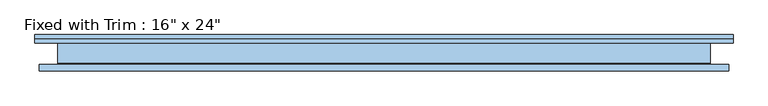
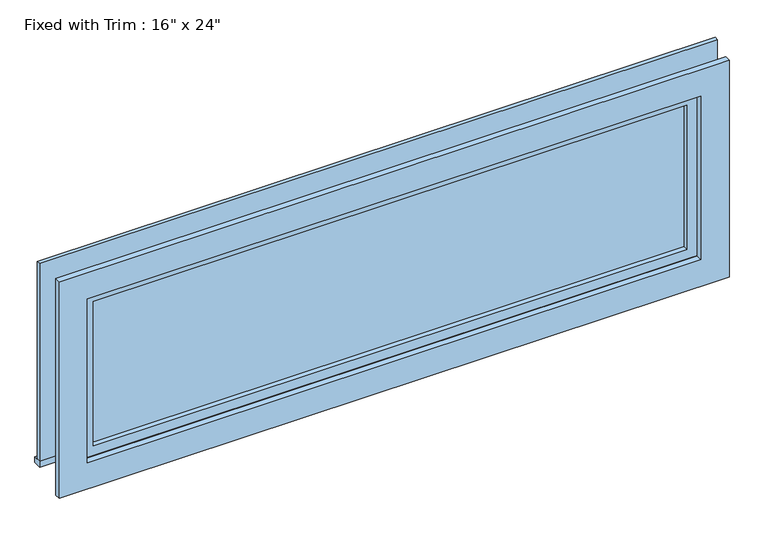
"""IFC4 building model written with IfcOpenShell, lengths in millimetres: window geometry."""

from ifc_helpers import new_model, si_unit, frame, origin, place, context, project, spatial, polyline, outline, extrude, source, transform, mapped, element, save


def window_79dcfda6(model_context):
    return source(origin(), model_context, "Body", "SweptSolid", [
        extrude(outline(polyline([(-1107.95, 58.7375), (1031.75, 58.7375), (1031.75, 33.3375), (-1107.95, 33.3375), (-1107.95, 58.7375)])), frame((0.0, 0.0, 914.4), z_axis=(0.0, 0.0, 1.0), x_axis=(1.0, 0.0, 0.0)), (0.0, 0.0, 1.0), 19.05),
        extrude(outline(polyline([(1504.95, -1019.05), (1504.95, 942.85), (933.45, 942.85), (933.45, 1031.75), (1593.85, 1031.75), (1593.85, -1107.95), (933.45, -1107.95), (933.45, -1019.05), (1504.95, -1019.05)])), frame((0.0, 33.3375, 0.0), z_axis=(0.0, 1.0, 0.0), x_axis=(0.0, 0.0, 1.0)), (0.0, 0.0, 1.0), 12.7),
        extrude(outline(polyline([(1581.15, 1019.05), (1581.15, -1095.25), (857.25, -1095.25), (857.25, 1019.05), (1581.15, 1019.05)]), holes=[polyline([(1492.25, 930.15), (946.15, 930.15), (946.15, -1006.35), (1492.25, -1006.35), (1492.25, 930.15)])]), frame((0.0, -52.3875, 0.0), z_axis=(0.0, 1.0, 0.0), x_axis=(0.0, 0.0, 1.0)), (0.0, 0.0, 1.0), 19.05),
        extrude(outline(polyline([(898.4, -14.2875), (-974.6, -14.2875), (-974.6, -1.5875), (898.4, -1.5875), (898.4, -14.2875)])), frame((0.0, 0.0, 977.9), z_axis=(0.0, 0.0, 1.0), x_axis=(1.0, 0.0, 0.0)), (0.0, 0.0, 1.0), 482.6),
        extrude(outline(polyline([(1504.95, -1019.05), (933.45, -1019.05), (933.45, 942.85), (1504.95, 942.85), (1504.95, -1019.05)]), holes=[polyline([(1460.5, -974.6), (1460.5, 898.4), (977.9, 898.4), (977.9, -974.6), (1460.5, -974.6)])]), frame((0.0, -30.1625, 0.0), z_axis=(0.0, 1.0, 0.0), x_axis=(0.0, 0.0, 1.0)), (0.0, 0.0, 1.0), 44.45),
        extrude(outline(polyline([(1524.0, -1038.1), (914.4, -1038.1), (914.4, 961.9), (1524.0, 961.9), (1524.0, -1038.1)]), holes=[polyline([(1492.25, -1006.35), (1492.25, 930.15), (946.15, 930.15), (946.15, -1006.35), (1492.25, -1006.35)])]), frame((0.0, -33.3375, 0.0), z_axis=(0.0, 1.0, 0.0), x_axis=(0.0, 0.0, 1.0)), (0.0, 0.0, 1.0), 3.175),
        extrude(outline(polyline([(1524.0, 961.9), (1524.0, -1038.1), (914.4, -1038.1), (914.4, 961.9), (1524.0, 961.9)]), holes=[polyline([(1504.95, 942.85), (933.45, 942.85), (933.45, -1019.05), (1504.95, -1019.05), (1504.95, 942.85)])]), frame((0.0, -30.1625, 0.0), z_axis=(0.0, 1.0, 0.0), x_axis=(0.0, 0.0, 1.0)), (0.0, 0.0, 1.0), 63.5),
    ])


if __name__ == "__main__":
    model = new_model("IFC4")
    model_context = context("Model", 3, world=origin())
    ifc_project = project(units=[si_unit("LENGTHUNIT", "METRE", prefix="MILLI")], contexts=[model_context])
    site = spatial("IfcSite", under=ifc_project)
    building = spatial("IfcBuilding", under=site)
    placement = place(None, origin())
    window_shape = window_79dcfda6(model_context)
    element("IfcWindow", 1, ObjectType="Fixed with Trim : 16\" x 24\"", at=placement, inside=building, context=model_context, shape_type="MappedRepresentation", body=[
        mapped(window_shape, transform((0.0, 0.0, 0.0), x_axis=(1.0, 0.0, 0.0), y_axis=(0.0, 1.0, 0.0), z_axis=(0.0, 0.0, 1.0))),
    ])
    save(model, "model.ifc")
